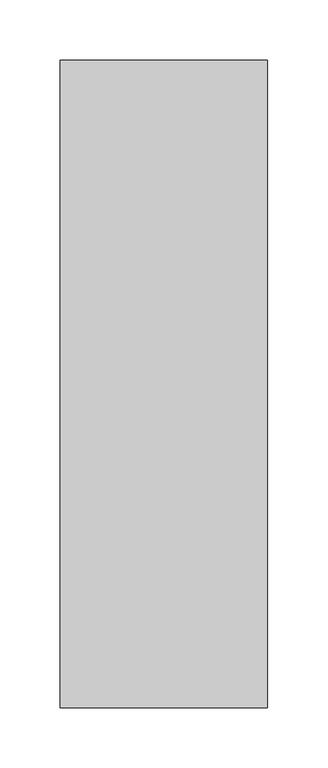
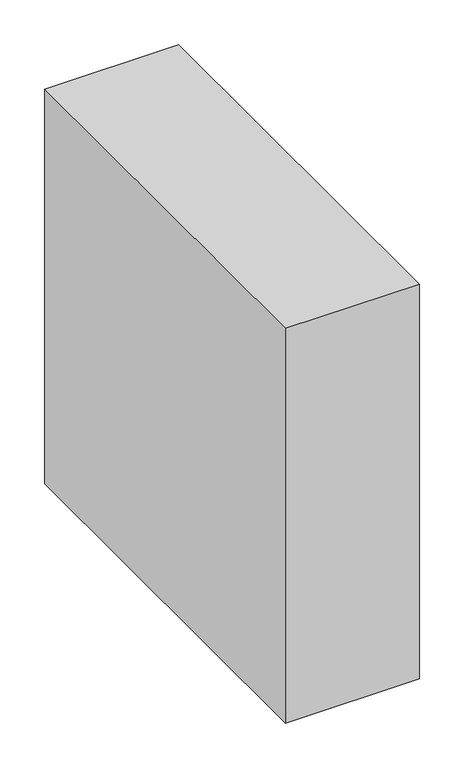
"""IFC4 building model written with IfcOpenShell, lengths in millimetres: proxy geometry."""

from ifc_helpers import new_model, si_unit, origin, origin_with_axes, place, context, project, spatial, polyline, outline, extrude, source, transform, mapped, element, save


def specialty_equipment_58f1f096(model_context):
    return source(origin(), model_context, "Body", "SweptSolid", [
        extrude(outline(polyline([(86.305, 538.1625), (86.305, 0.0), (-86.305, 0.0), (-86.305, 538.1625), (86.305, 538.1625)])), origin_with_axes(), (0.0, 0.0, 1.0), 538.1625),
    ])


if __name__ == "__main__":
    model = new_model("IFC4")
    model_context = context("Model", 3, world=origin())
    ifc_project = project(units=[si_unit("LENGTHUNIT", "METRE", prefix="MILLI")], contexts=[model_context])
    site = spatial("IfcSite", under=ifc_project)
    building = spatial("IfcBuilding", under=site)
    placement = place(None, origin())
    specialty_equipment_shape = specialty_equipment_58f1f096(model_context)
    element("IfcBuildingElementProxy", 1, Name="Specialty Equipment", at=placement, inside=building, context=model_context, shape_type="MappedRepresentation", body=[
        mapped(specialty_equipment_shape, transform((0.0, 0.0, 0.0), x_axis=(1.0, 0.0, 0.0), y_axis=(0.0, 1.0, 0.0), z_axis=(0.0, 0.0, 1.0))),
    ])
    save(model, "model.ifc")
